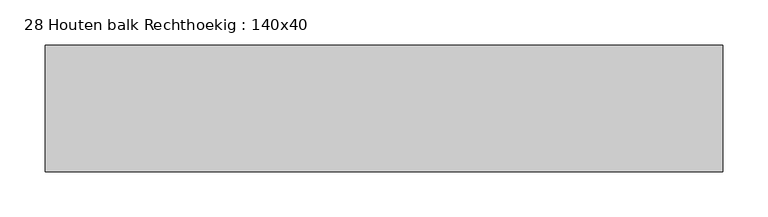
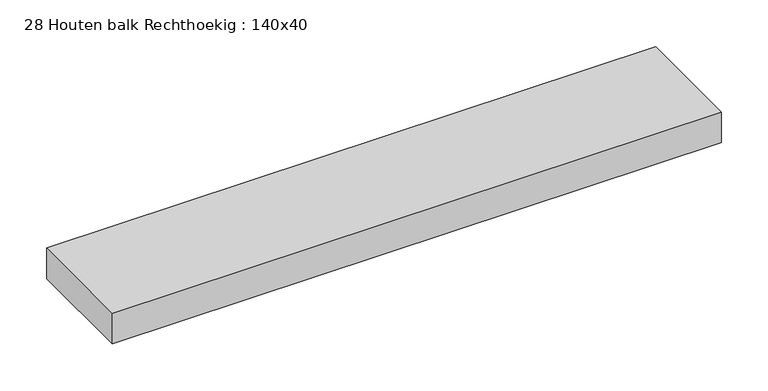
"""IFC4 building model written with IfcOpenShell, lengths in millimetres: beam geometry, 28 Houten balk Rechthoekig : 140x40."""

from ifc_helpers import new_model, si_unit, frame, origin, place, context, project, spatial, polyline, outline, extrude, source, transform, mapped, element, save


def beam_28_houten_balk_rechthoekig_140x40_29c29876(model_context):
    return source(origin(), model_context, "Body", "SweptSolid", [
        extrude(outline(polyline([(374.999696, 70.0), (374.999696, -70.0), (-374.999696, -70.0), (-374.999696, 70.0), (374.999696, 70.0)])), frame((0.0, 0.0, -20.0), z_axis=(0.0, 0.0, 1.0), x_axis=(1.0, 0.0, 0.0)), (0.0, 0.0, 1.0), 40.0),
    ])


if __name__ == "__main__":
    model = new_model("IFC4")
    model_context = context("Model", 3, world=origin())
    ifc_project = project(units=[si_unit("LENGTHUNIT", "METRE", prefix="MILLI")], contexts=[model_context])
    site = spatial("IfcSite", under=ifc_project)
    building = spatial("IfcBuilding", under=site)
    placement = place(None, origin())
    beam_28_houten_balk_rechthoekig_140x40_shape = beam_28_houten_balk_rechthoekig_140x40_29c29876(model_context)
    element("IfcBeam", 1, ObjectType="28 Houten balk Rechthoekig : 140x40", at=placement, inside=building, context=model_context, shape_type="MappedRepresentation", body=[
        mapped(beam_28_houten_balk_rechthoekig_140x40_shape, transform((0.0, 0.0, 0.0), x_axis=(1.0, 0.0, 0.0), y_axis=(0.0, 1.0, 0.0), z_axis=(0.0, 0.0, 1.0))),
    ])
    save(model, "model.ifc")
